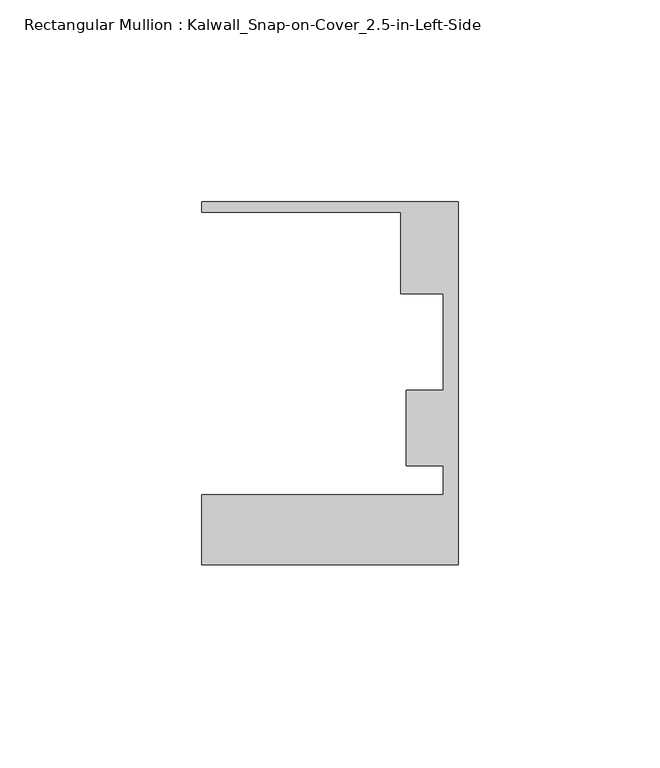
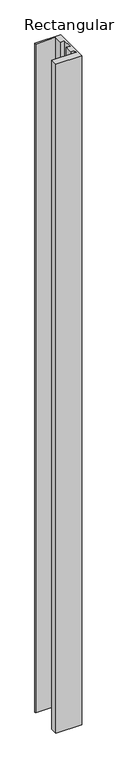
"""IFC4 building model written with IfcOpenShell, lengths in millimetres: member geometry, Rectangular Mullion : Kalwall_Snap-on-Cover_2.5-in-Left-Side."""

from ifc_helpers import new_model, si_unit, frame, origin, place, context, project, spatial, polyline, outline, extrude, source, transform, mapped, element, save


def rectangular_mullion_kalwall_snap_on_cover_2_5_in_left_side_9f37711a(model_context):
    return source(origin(), model_context, "Body", "SweptSolid", [
        extrude(outline(polyline([(0.0, -52.5001386), (-63.5, -52.5001386), (-63.5, -35.0376386), (-3.7084, -35.0376386), (-3.7084, -27.8888568), (-12.8272539, -27.8888568), (-12.8272539, -9.1879886), (-3.7084, -9.1879886), (-3.7084, 14.7439614), (-14.1732, 14.7439614), (-14.1732, 34.9623614), (-63.5, 34.9623614), (-63.5, 37.5023614), (0.0, 37.5023614), (0.0, -52.5001386)])), frame((0.0, 0.0, -1744.875), z_axis=(0.0, 0.0, 1.0), x_axis=(1.0, 0.0, 0.0)), (0.0, 0.0, 1.0), 1744.875),
    ])


if __name__ == "__main__":
    model = new_model("IFC4")
    model_context = context("Model", 3, world=origin())
    ifc_project = project(units=[si_unit("LENGTHUNIT", "METRE", prefix="MILLI")], contexts=[model_context])
    site = spatial("IfcSite", under=ifc_project)
    building = spatial("IfcBuilding", under=site)
    placement = place(None, origin())
    rectangular_mullion_kalwall_snap_on_cover_2_5_in_left_side_shape = rectangular_mullion_kalwall_snap_on_cover_2_5_in_left_side_9f37711a(model_context)
    element("IfcMember", 1, ObjectType="Rectangular Mullion : Kalwall_Snap-on-Cover_2.5-in-Left-Side", at=placement, inside=building, context=model_context, shape_type="MappedRepresentation", body=[
        mapped(rectangular_mullion_kalwall_snap_on_cover_2_5_in_left_side_shape, transform((0.0, 0.0, 0.0), x_axis=(1.0, 0.0, 0.0), y_axis=(0.0, 1.0, 0.0), z_axis=(0.0, 0.0, 1.0))),
    ])
    save(model, "model.ifc")
